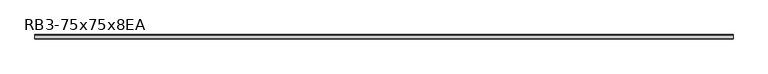
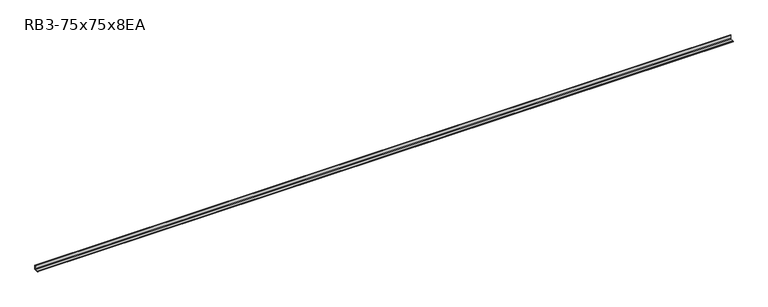
"""IFC4 building model written with IfcOpenShell, lengths in millimetres: member geometry, RB3-75x75x8EA."""

from ifc_helpers import new_model, si_unit, point, frame, frame_2d, origin, place, context, project, spatial, polyline, circle_curve, trimmed, segment, composite_curve, outline, extrude, source, transform, mapped, element, save


def rb3_75x75x8ea_97c40a9d(model_context):
    return source(origin(), model_context, "Body", "SweptSolid", [
        extrude(outline(composite_curve([segment(polyline([(21.3, -21.3), (-53.7, -21.3), (-53.7, -18.3)]), True, "CONTINUOUS"), segment(trimmed(circle_curve(frame_2d((-48.7, -18.3)), 5.0), [point((-53.7, -18.3))], [point((-48.7, -13.3))], False, "CARTESIAN"), True, "CONTINUOUS"), segment(polyline([(-48.7, -13.3), (5.3, -13.3)]), True, "CONTINUOUS"), segment(trimmed(circle_curve(frame_2d((5.3, -5.3)), 8.0), [point((5.3, -13.3))], [point((13.3, -5.3))], True, "CARTESIAN"), True, "CONTINUOUS"), segment(polyline([(13.3, -5.3), (13.3, 48.7)]), True, "CONTINUOUS"), segment(trimmed(circle_curve(frame_2d((18.3, 48.7)), 5.0), [point((13.3, 48.7))], [point((18.3, 53.7))], False, "CARTESIAN"), True, "CONTINUOUS"), segment(polyline([(18.3, 53.7), (21.3, 53.7), (21.3, -21.3)]), True, "CONTINUOUS")], self_intersect=False)), frame((-5922.5, 0.0, 0.0), z_axis=(1.0, 0.0, 0.0), x_axis=(0.0, 1.0, 0.0)), (0.0, 0.0, 1.0), 11892.0),
    ])


if __name__ == "__main__":
    model = new_model("IFC4")
    model_context = context("Model", 3, world=origin())
    ifc_project = project(units=[si_unit("LENGTHUNIT", "METRE", prefix="MILLI")], contexts=[model_context])
    site = spatial("IfcSite", under=ifc_project)
    building = spatial("IfcBuilding", under=site)
    placement = place(None, origin())
    rb3_75x75x8ea_shape = rb3_75x75x8ea_97c40a9d(model_context)
    element("IfcMember", 1, ObjectType="RB3-75x75x8EA", at=placement, inside=building, context=model_context, shape_type="MappedRepresentation", body=[
        mapped(rb3_75x75x8ea_shape, transform((0.0, 0.0, 0.0), x_axis=(1.0, 0.0, 0.0), y_axis=(0.0, 1.0, 0.0), z_axis=(0.0, 0.0, 1.0))),
    ])
    save(model, "model.ifc")
